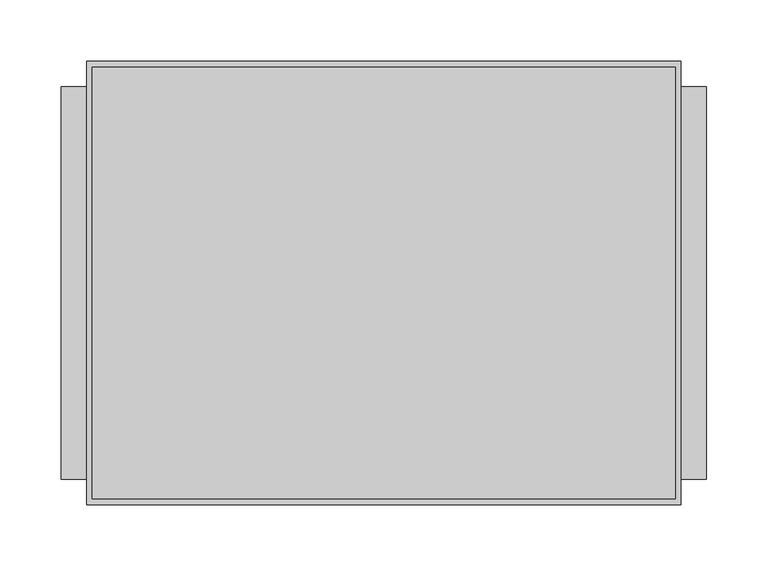
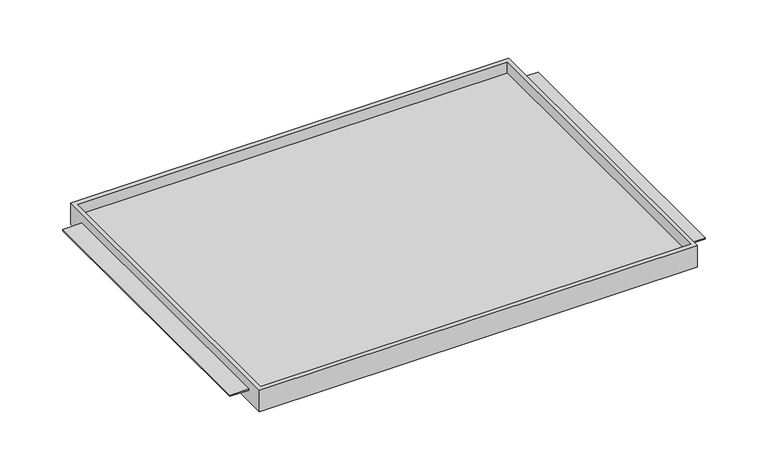
"""IFC4 building model written with IfcOpenShell, lengths in millimetres: furniture geometry."""

from ifc_helpers import new_model, si_unit, origin, place, context, project, spatial, faceted_brep, source, transform, mapped, element, save


def furniture_2a3bd683(model_context):
    return source(origin(), model_context, "Body", "Brep", [
        faceted_brep([(-242.7689646, -180.975, 1338.86448), (242.7689646, -180.975, 1338.86448), (242.7689646, -180.975, 1364.26448), (-242.7689646, -180.975, 1364.26448), (-242.7689646, 180.975, 1338.86448), (-242.7689646, 180.975, 1364.26448), (242.7689646, 180.975, 1364.26448), (242.7689646, 180.975, 1338.86448), (242.7689646, -160.3374879, 1353.16468), (242.7689646, 160.3374879, 1353.16468), (242.7689646, 160.3374879, 1351.56448), (242.7689646, -160.3374879, 1351.56448), (238.125, -176.2125, 1364.26448), (-238.125, -176.2125, 1364.26448), (-238.125, 175.91278, 1364.26448), (238.125, 175.91278, 1364.26448), (-242.7689646, 160.3374879, 1353.16468), (-242.7689646, -160.3374879, 1353.16468), (-242.7689646, -160.3374879, 1351.56448), (-242.7689646, 160.3374879, 1351.56448), (-238.125, -176.2125, 1351.56448), (238.125, -176.2125, 1351.56448), (238.125, 175.91278, 1351.56448), (-238.125, 175.91278, 1351.56448), (-263.525, 160.3374879, 1353.16468), (-263.525, -160.3374879, 1353.16468), (263.525, -160.3374879, 1353.16468), (263.525, 160.3374879, 1353.16468), (-263.525, -160.3374879, 1351.56448), (-263.525, 160.3374879, 1351.56448), (263.525, -160.3374879, 1351.56448), (263.525, 160.3374879, 1351.56448)], [[[0, 1, 2, 3]], [[4, 5, 6, 7]], [[1, 0, 4, 7]], [[2, 1, 7, 6], [8, 9, 10, 11]], [[3, 2, 6, 5], [12, 13, 14, 15]], [[0, 3, 5, 4], [16, 17, 18, 19]], [[20, 21, 22, 23]], [[21, 20, 13, 12]], [[22, 21, 12, 15]], [[23, 22, 15, 14]], [[20, 23, 14, 13]], [[16, 24, 25, 17]], [[26, 27, 9, 8]], [[18, 28, 29, 19]], [[30, 11, 10, 31]], [[24, 16, 19, 29]], [[25, 24, 29, 28]], [[17, 25, 28, 18]], [[27, 26, 30, 31]], [[9, 27, 31, 10]], [[26, 8, 11, 30]]]),
    ])


if __name__ == "__main__":
    model = new_model("IFC4")
    model_context = context("Model", 3, world=origin())
    ifc_project = project(units=[si_unit("LENGTHUNIT", "METRE", prefix="MILLI")], contexts=[model_context])
    site = spatial("IfcSite", under=ifc_project)
    building = spatial("IfcBuilding", under=site)
    placement = place(None, origin())
    furniture_shape = furniture_2a3bd683(model_context)
    element("IfcFurniture", 1, at=placement, inside=building, context=model_context, shape_type="MappedRepresentation", body=[
        mapped(furniture_shape, transform((0.0, 0.0, 0.0), x_axis=(1.0, 0.0, 0.0), y_axis=(0.0, 1.0, 0.0), z_axis=(0.0, 0.0, 1.0))),
    ])
    save(model, "model.ifc")
